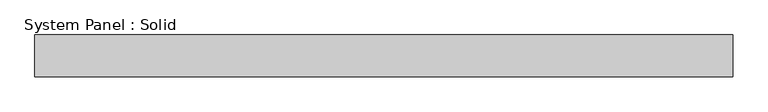
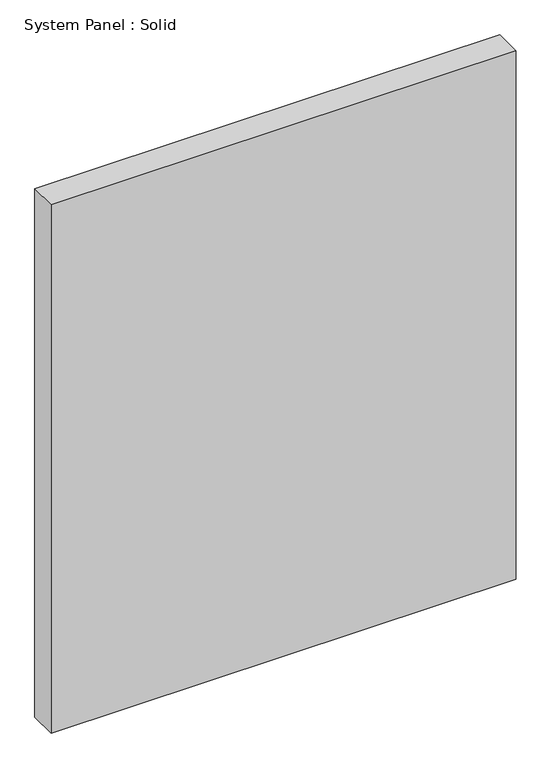
"""IFC4 building model written with IfcOpenShell, lengths in millimetres: plate geometry, System Panel : Solid."""

from ifc_helpers import new_model, si_unit, origin, origin_with_axes, place, context, project, spatial, polyline, outline, extrude, source, transform, mapped, element, save


def system_panel_solid_58f92528(model_context):
    return source(origin(), model_context, "Body", "SweptSolid", [
        extrude(outline(polyline([(500.0, -10.5), (-500.0, -10.5), (-500.0, 49.5), (500.0, 49.5), (500.0, -10.5)])), origin_with_axes(), (0.0, 0.0, 1.0), 1200.0),
    ])


if __name__ == "__main__":
    model = new_model("IFC4")
    model_context = context("Model", 3, world=origin())
    ifc_project = project(units=[si_unit("LENGTHUNIT", "METRE", prefix="MILLI")], contexts=[model_context])
    site = spatial("IfcSite", under=ifc_project)
    building = spatial("IfcBuilding", under=site)
    placement = place(None, origin())
    system_panel_solid_shape = system_panel_solid_58f92528(model_context)
    element("IfcPlate", 1, ObjectType="System Panel : Solid", at=placement, inside=building, context=model_context, shape_type="MappedRepresentation", body=[
        mapped(system_panel_solid_shape, transform((0.0, 0.0, 0.0), x_axis=(1.0, 0.0, 0.0), y_axis=(0.0, 1.0, 0.0), z_axis=(0.0, 0.0, 1.0))),
    ])
    save(model, "model.ifc")
